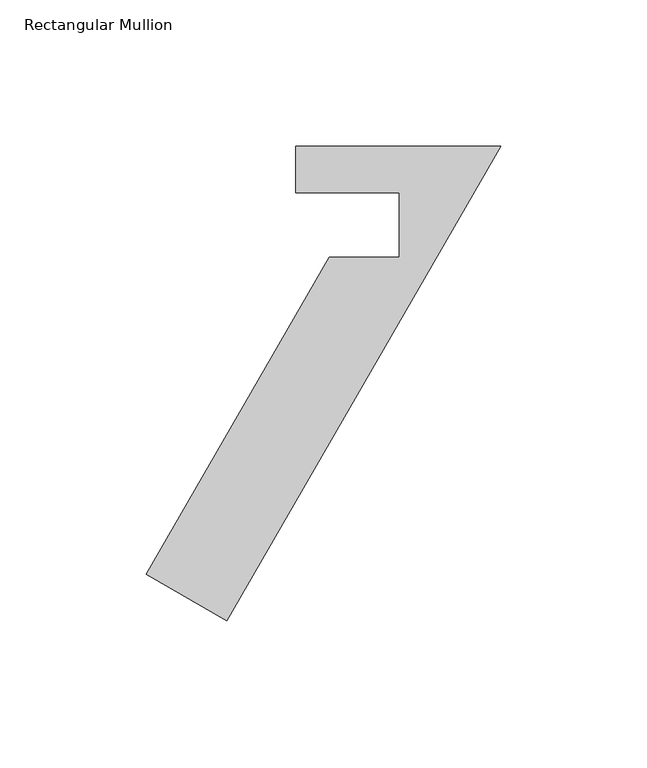
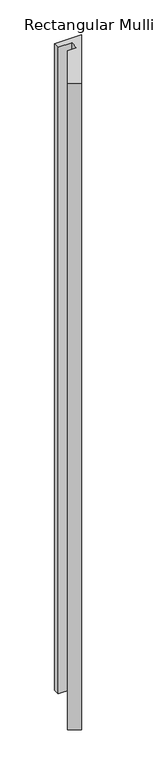
"""IFC4 building model written with IfcOpenShell, lengths in millimetres: member geometry, Rectangular Mullion."""

from ifc_helpers import new_model, si_unit, frame, origin, place, context, project, spatial, polyline, outline, extrude, source, transform, mapped, element, save


def rectangular_mullion_aa97c135(model_context):
    return source(origin(), model_context, "Body", "SweptSolid", [
        extrude(outline(polyline([(-121.172667, -146.40222), (-58.5870671, -38.0007812), (-34.7077158, -38.0007813), (-34.7077158, -15.8879359), (-70.0057977, -15.8879359), (-70.0085527, -0.0182927), (0.0, -0.0250044), (-93.6763604, -162.27722), (-121.172667, -146.40222)])), frame((0.0, 0.0, -1760.4637014), z_axis=(0.0, 0.0, 1.0), x_axis=(1.0, 0.0, 0.0)), (0.0, 0.0, 1.0), 1760.4637014),
    ])


if __name__ == "__main__":
    model = new_model("IFC4")
    model_context = context("Model", 3, world=origin())
    ifc_project = project(units=[si_unit("LENGTHUNIT", "METRE", prefix="MILLI")], contexts=[model_context])
    site = spatial("IfcSite", under=ifc_project)
    building = spatial("IfcBuilding", under=site)
    placement = place(None, origin())
    rectangular_mullion_shape = rectangular_mullion_aa97c135(model_context)
    element("IfcMember", 1, ObjectType="Rectangular Mullion", at=placement, inside=building, context=model_context, shape_type="MappedRepresentation", body=[
        mapped(rectangular_mullion_shape, transform((0.0, 0.0, 0.0), x_axis=(1.0, 0.0, 0.0), y_axis=(0.0, 1.0, 0.0), z_axis=(0.0, 0.0, 1.0))),
    ])
    save(model, "model.ifc")
